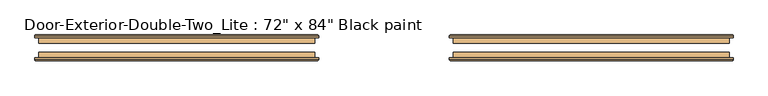
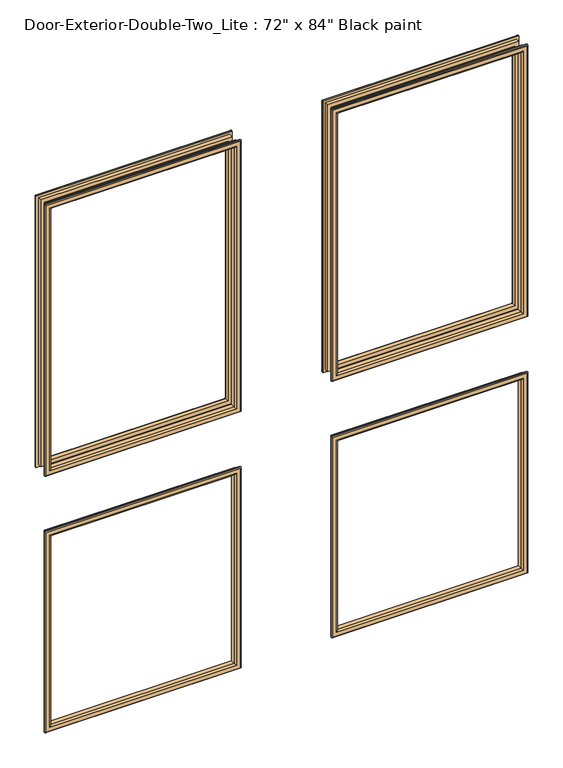
"""IFC4 building model written with IfcOpenShell, lengths in millimetres: door geometry."""

from ifc_helpers import new_model, si_unit, frame, origin, place, context, project, spatial, ellipse_curve, source, transform, mapped, element, save
from ifc_brep_helpers import plane_surface, cylinder_surface, advanced_brep


def door_ab34e039(model_context):
    return source(origin(), model_context, "Body", "AdvancedBrep", [
        advanced_brep(
        [(152.4, 144.4625, 2016.125), (152.4, 157.1625, 2016.125), (152.4, 157.1625, 1117.6), (152.4, 144.4625, 1117.6), (164.4, 158.1625, 2004.125), (164.4, 144.4625, 2004.125), (164.4, 144.4625, 1129.6), (164.4, 158.1625, 1129.6), (159.4, 163.1625, 2009.125), (159.4, 163.1625, 1124.6), (144.4, 161.1625, 2024.125), (146.4, 163.1625, 2022.125), (146.4, 163.1625, 1111.6), (144.4, 161.1625, 1109.6), (144.4, 157.1625, 2024.125), (144.4, 157.1625, 1109.6), (762.0, 157.1625, 1117.6), (762.0, 144.4625, 1117.6), (750.0, 144.4625, 1129.6), (750.0, 158.1625, 1129.6), (755.0, 163.1625, 1124.6), (768.0, 163.1625, 1111.6), (770.0, 161.1625, 1109.6), (770.0, 157.1625, 1109.6), (762.0, 157.1625, 2016.125), (762.0, 144.4625, 2016.125), (750.0, 144.4625, 2004.125), (750.0, 158.1625, 2004.125), (755.0, 163.1625, 2009.125), (768.0, 163.1625, 2022.125), (770.0, 161.1625, 2024.125), (770.0, 157.1625, 2024.125)],
        [
            (0, 1),
            (1, 2),
            (2, 3),
            (3, 0),
            (4, 5),
            (5, 6),
            (6, 7),
            (7, 4),
            (8, 4, ellipse_curve(frame((159.4, 158.1625, 2009.125), z_axis=(-0.7071067811865475, 0.0, -0.7071067811865475), x_axis=(-0.7071067811865474, 0.0, 0.7071067811865476)), 7.0710678, 5.0)),
            (7, 9, ellipse_curve(frame((159.4, 158.1625, 1124.6), z_axis=(-0.7071067811865475, 0.0, 0.7071067811865475), x_axis=(0.7071067811865474, 0.0, 0.7071067811865476)), 7.0710678, 5.0)),
            (9, 8),
            (10, 11, ellipse_curve(frame((146.4, 161.1625, 2022.125), z_axis=(-0.7071067811865475, 0.0, -0.7071067811865475), x_axis=(-0.7071067811865474, 0.0, 0.7071067811865476)), 2.8284271, 2.0)),
            (11, 12),
            (12, 13, ellipse_curve(frame((146.4, 161.1625, 1111.6), z_axis=(-0.7071067811865475, 0.0, 0.7071067811865475), x_axis=(0.7071067811865474, 0.0, 0.7071067811865476)), 2.8284271, 2.0)),
            (13, 10),
            (14, 10),
            (13, 15),
            (15, 14),
            (2, 16),
            (16, 17),
            (17, 3),
            (6, 18),
            (18, 19),
            (19, 7),
            (19, 20, ellipse_curve(frame((755.0, 158.1625, 1124.6), z_axis=(-0.7071067811865475, 0.0, -0.7071067811865475), x_axis=(-0.7071067811865476, 0.0, 0.7071067811865474)), 7.0710678, 5.0)),
            (20, 9),
            (12, 21),
            (21, 22, ellipse_curve(frame((768.0, 161.1625, 1111.6), z_axis=(-0.7071067811865475, 0.0, -0.7071067811865475), x_axis=(-0.7071067811865476, 0.0, 0.7071067811865474)), 2.8284271, 2.0)),
            (22, 13),
            (22, 23),
            (23, 15),
            (16, 24),
            (24, 25),
            (25, 17),
            (18, 26),
            (26, 27),
            (27, 19),
            (27, 28, ellipse_curve(frame((755.0, 158.1625, 2009.125), z_axis=(0.7071067811865475, 0.0, -0.7071067811865475), x_axis=(-0.7071067811865474, 0.0, -0.7071067811865476)), 7.0710678, 5.0)),
            (28, 20),
            (21, 29),
            (29, 30, ellipse_curve(frame((768.0, 161.1625, 2022.125), z_axis=(0.7071067811865475, 0.0, -0.7071067811865475), x_axis=(-0.7071067811865474, 0.0, -0.7071067811865476)), 2.8284271, 2.0)),
            (30, 22),
            (30, 31),
            (31, 23),
            (31, 14),
            (1, 24),
            (0, 25),
            (5, 26),
            (4, 27),
            (8, 28),
            (11, 29),
            (10, 30),
        ],
        [
            plane_surface(frame((152.4, 157.1625, 2016.125), z_axis=(-1.0, 0.0, 0.0), x_axis=(0.0, 0.0, -1.0))),
            plane_surface(frame((164.4, 144.4625, 2004.125), z_axis=(1.0, 0.0, 0.0), x_axis=(0.0, 0.0, -1.0))),
            cylinder_surface(frame((159.4, 158.1625, 2016.125), z_axis=(0.0, 0.0, 1.0), x_axis=(-1.0, 0.0, 0.0)), 5.0),
            cylinder_surface(frame((146.4, 161.1625, 2016.125), z_axis=(0.0, 0.0, 1.0), x_axis=(-1.0, 0.0, 0.0)), 2.0),
            plane_surface(frame((144.4, 161.1625, 2024.125), z_axis=(-1.0, 0.0, 0.0), x_axis=(0.0, 0.0, -1.0))),
            plane_surface(frame((152.4, 157.1625, 1117.6), z_axis=(0.0, 0.0, -1.0), x_axis=(1.0, 0.0, 0.0))),
            plane_surface(frame((164.4, 144.4625, 1129.6), z_axis=(0.0, 0.0, 1.0), x_axis=(1.0, 0.0, 0.0))),
            cylinder_surface(frame((152.4, 158.1625, 1124.6), z_axis=(-1.0, 0.0, 0.0), x_axis=(0.0, 0.0, -1.0)), 5.0),
            cylinder_surface(frame((152.4, 161.1625, 1111.6), z_axis=(-1.0, 0.0, 0.0), x_axis=(0.0, 0.0, -1.0)), 2.0),
            plane_surface(frame((144.4, 161.1625, 1109.6), z_axis=(0.0, 0.0, -1.0), x_axis=(1.0, 0.0, 0.0))),
            plane_surface(frame((762.0, 157.1625, 1117.6), z_axis=(1.0, 0.0, 0.0), x_axis=(0.0, 0.0, 1.0))),
            plane_surface(frame((750.0, 144.4625, 1129.6), z_axis=(-1.0, 0.0, 0.0), x_axis=(0.0, 0.0, 1.0))),
            cylinder_surface(frame((755.0, 158.1625, 1117.6), z_axis=(0.0, 0.0, -1.0), x_axis=(1.0, 0.0, 0.0)), 5.0),
            cylinder_surface(frame((768.0, 161.1625, 1117.6), z_axis=(0.0, 0.0, -1.0), x_axis=(1.0, 0.0, 0.0)), 2.0),
            plane_surface(frame((770.0, 161.1625, 1109.6), z_axis=(1.0, 0.0, 0.0), x_axis=(0.0, 0.0, 1.0))),
            plane_surface(frame((770.0, 157.1625, 2024.125), z_axis=(0.0, -1.0, 0.0), x_axis=(-1.0, 0.0, 0.0))),
            plane_surface(frame((762.0, 157.1625, 2016.125), z_axis=(0.0, 0.0, 1.0), x_axis=(-1.0, 0.0, 0.0))),
            plane_surface(frame((762.0, 144.4625, 2016.125), z_axis=(0.0, -1.0, 0.0), x_axis=(-1.0, 0.0, 0.0))),
            plane_surface(frame((750.0, 144.4625, 2004.125), z_axis=(0.0, 0.0, -1.0), x_axis=(-1.0, 0.0, 0.0))),
            cylinder_surface(frame((762.0, 158.1625, 2009.125), z_axis=(1.0, 0.0, 0.0), x_axis=(0.0, 0.0, 1.0)), 5.0),
            plane_surface(frame((755.0, 163.1625, 2009.125), z_axis=(0.0, 1.0, 0.0), x_axis=(-1.0, 0.0, 0.0))),
            cylinder_surface(frame((762.0, 161.1625, 2022.125), z_axis=(1.0, 0.0, 0.0), x_axis=(0.0, 0.0, 1.0)), 2.0),
            plane_surface(frame((770.0, 161.1625, 2024.125), z_axis=(0.0, 0.0, 1.0), x_axis=(-1.0, 0.0, 0.0))),
        ],
        [
            (0, [[1, 2, 3, 4]]),
            (1, [[5, 6, 7, 8]]),
            (2, [[9, -8, 10, 11]]),
            (3, [[12, 13, 14, 15]]),
            (4, [[16, -15, 17, 18]]),
            (5, [[-3, 19, 20, 21]]),
            (6, [[-7, 22, 23, 24]]),
            (7, [[-10, -24, 25, 26]]),
            (8, [[-14, 27, 28, 29]]),
            (9, [[-17, -29, 30, 31]]),
            (10, [[-20, 32, 33, 34]]),
            (11, [[-23, 35, 36, 37]]),
            (12, [[-25, -37, 38, 39]]),
            (13, [[-28, 40, 41, 42]]),
            (14, [[-30, -42, 43, 44]]),
            (15, [[-31, -44, 45, -18], [46, -32, -19, -2]]),
            (16, [[-33, -46, -1, 47]]),
            (17, [[-21, -34, -47, -4], [48, -35, -22, -6]]),
            (18, [[-36, -48, -5, 49]]),
            (19, [[-38, -49, -9, 50]]),
            (20, [[51, -40, -27, -13], [-26, -39, -50, -11]]),
            (21, [[-41, -51, -12, 52]]),
            (22, [[-43, -52, -16, -45]]),
        ],
    ),
        advanced_brep(
        [(-762.0, 144.4625, 2016.125), (-762.0, 157.1625, 2016.125), (-762.0, 157.1625, 1117.6), (-762.0, 144.4625, 1117.6), (-750.0, 158.1625, 2004.125), (-750.0, 144.4625, 2004.125), (-750.0, 144.4625, 1129.6), (-750.0, 158.1625, 1129.6), (-755.0, 163.1625, 2009.125), (-755.0, 163.1625, 1124.6), (-770.0, 161.1625, 2024.125), (-768.0, 163.1625, 2022.125), (-768.0, 163.1625, 1111.6), (-770.0, 161.1625, 1109.6), (-770.0, 157.1625, 2024.125), (-770.0, 157.1625, 1109.6), (-152.4, 157.1625, 1117.6), (-152.4, 144.4625, 1117.6), (-164.4, 144.4625, 1129.6), (-164.4, 158.1625, 1129.6), (-159.4, 163.1625, 1124.6), (-146.4, 163.1625, 1111.6), (-144.4, 161.1625, 1109.6), (-144.4, 157.1625, 1109.6), (-152.4, 157.1625, 2016.125), (-152.4, 144.4625, 2016.125), (-164.4, 144.4625, 2004.125), (-164.4, 158.1625, 2004.125), (-159.4, 163.1625, 2009.125), (-146.4, 163.1625, 2022.125), (-144.4, 161.1625, 2024.125), (-144.4, 157.1625, 2024.125)],
        [
            (0, 1),
            (1, 2),
            (2, 3),
            (3, 0),
            (4, 5),
            (5, 6),
            (6, 7),
            (7, 4),
            (8, 4, ellipse_curve(frame((-755.0, 158.1625, 2009.125), z_axis=(-0.7071067811865475, 0.0, -0.7071067811865475), x_axis=(-0.7071067811865474, 0.0, 0.7071067811865476)), 7.0710678, 5.0)),
            (7, 9, ellipse_curve(frame((-755.0, 158.1625, 1124.6), z_axis=(-0.7071067811865475, 0.0, 0.7071067811865475), x_axis=(0.7071067811865474, 0.0, 0.7071067811865476)), 7.0710678, 5.0)),
            (9, 8),
            (10, 11, ellipse_curve(frame((-768.0, 161.1625, 2022.125), z_axis=(-0.7071067811865475, 0.0, -0.7071067811865475), x_axis=(-0.7071067811865474, 0.0, 0.7071067811865476)), 2.8284271, 2.0)),
            (11, 12),
            (12, 13, ellipse_curve(frame((-768.0, 161.1625, 1111.6), z_axis=(-0.7071067811865475, 0.0, 0.7071067811865475), x_axis=(0.7071067811865474, 0.0, 0.7071067811865476)), 2.8284271, 2.0)),
            (13, 10),
            (14, 10),
            (13, 15),
            (15, 14),
            (2, 16),
            (16, 17),
            (17, 3),
            (6, 18),
            (18, 19),
            (19, 7),
            (19, 20, ellipse_curve(frame((-159.4, 158.1625, 1124.6), z_axis=(-0.7071067811865475, 0.0, -0.7071067811865475), x_axis=(-0.7071067811865476, 0.0, 0.7071067811865474)), 7.0710678, 5.0)),
            (20, 9),
            (12, 21),
            (21, 22, ellipse_curve(frame((-146.4, 161.1625, 1111.6), z_axis=(-0.7071067811865475, 0.0, -0.7071067811865475), x_axis=(-0.7071067811865476, 0.0, 0.7071067811865474)), 2.8284271, 2.0)),
            (22, 13),
            (22, 23),
            (23, 15),
            (16, 24),
            (24, 25),
            (25, 17),
            (18, 26),
            (26, 27),
            (27, 19),
            (27, 28, ellipse_curve(frame((-159.4, 158.1625, 2009.125), z_axis=(0.7071067811865475, 0.0, -0.7071067811865475), x_axis=(-0.7071067811865474, 0.0, -0.7071067811865476)), 7.0710678, 5.0)),
            (28, 20),
            (21, 29),
            (29, 30, ellipse_curve(frame((-146.4, 161.1625, 2022.125), z_axis=(0.7071067811865475, 0.0, -0.7071067811865475), x_axis=(-0.7071067811865474, 0.0, -0.7071067811865476)), 2.8284271, 2.0)),
            (30, 22),
            (30, 31),
            (31, 23),
            (31, 14),
            (1, 24),
            (0, 25),
            (5, 26),
            (4, 27),
            (8, 28),
            (11, 29),
            (10, 30),
        ],
        [
            plane_surface(frame((-762.0, 157.1625, 2016.125), z_axis=(-1.0, 0.0, 0.0), x_axis=(0.0, 0.0, -1.0))),
            plane_surface(frame((-750.0, 144.4625, 2004.125), z_axis=(1.0, 0.0, 0.0), x_axis=(0.0, 0.0, -1.0))),
            cylinder_surface(frame((-755.0, 158.1625, 2016.125), z_axis=(0.0, 0.0, 1.0), x_axis=(-1.0, 0.0, 0.0)), 5.0),
            cylinder_surface(frame((-768.0, 161.1625, 2016.125), z_axis=(0.0, 0.0, 1.0), x_axis=(-1.0, 0.0, 0.0)), 2.0),
            plane_surface(frame((-770.0, 161.1625, 2024.125), z_axis=(-1.0, 0.0, 0.0), x_axis=(0.0, 0.0, -1.0))),
            plane_surface(frame((-762.0, 157.1625, 1117.6), z_axis=(0.0, 0.0, -1.0), x_axis=(1.0, 0.0, 0.0))),
            plane_surface(frame((-750.0, 144.4625, 1129.6), z_axis=(0.0, 0.0, 1.0), x_axis=(1.0, 0.0, 0.0))),
            cylinder_surface(frame((-762.0, 158.1625, 1124.6), z_axis=(-1.0, 0.0, 0.0), x_axis=(0.0, 0.0, -1.0)), 5.0),
            cylinder_surface(frame((-762.0, 161.1625, 1111.6), z_axis=(-1.0, 0.0, 0.0), x_axis=(0.0, 0.0, -1.0)), 2.0),
            plane_surface(frame((-770.0, 161.1625, 1109.6), z_axis=(0.0, 0.0, -1.0), x_axis=(1.0, 0.0, 0.0))),
            plane_surface(frame((-152.4, 157.1625, 1117.6), z_axis=(1.0, 0.0, 0.0), x_axis=(0.0, 0.0, 1.0))),
            plane_surface(frame((-164.4, 144.4625, 1129.6), z_axis=(-1.0, 0.0, 0.0), x_axis=(0.0, 0.0, 1.0))),
            cylinder_surface(frame((-159.4, 158.1625, 1117.6), z_axis=(0.0, 0.0, -1.0), x_axis=(1.0, 0.0, 0.0)), 5.0),
            cylinder_surface(frame((-146.4, 161.1625, 1117.6), z_axis=(0.0, 0.0, -1.0), x_axis=(1.0, 0.0, 0.0)), 2.0),
            plane_surface(frame((-144.4, 161.1625, 1109.6), z_axis=(1.0, 0.0, 0.0), x_axis=(0.0, 0.0, 1.0))),
            plane_surface(frame((-144.4, 157.1625, 2024.125), z_axis=(0.0, -1.0, 0.0), x_axis=(-1.0, 0.0, 0.0))),
            plane_surface(frame((-152.4, 157.1625, 2016.125), z_axis=(0.0, 0.0, 1.0), x_axis=(-1.0, 0.0, 0.0))),
            plane_surface(frame((-152.4, 144.4625, 2016.125), z_axis=(0.0, -1.0, 0.0), x_axis=(-1.0, 0.0, 0.0))),
            plane_surface(frame((-164.4, 144.4625, 2004.125), z_axis=(0.0, 0.0, -1.0), x_axis=(-1.0, 0.0, 0.0))),
            cylinder_surface(frame((-152.4, 158.1625, 2009.125), z_axis=(1.0, 0.0, 0.0), x_axis=(0.0, 0.0, 1.0)), 5.0),
            plane_surface(frame((-159.4, 163.1625, 2009.125), z_axis=(0.0, 1.0, 0.0), x_axis=(-1.0, 0.0, 0.0))),
            cylinder_surface(frame((-152.4, 161.1625, 2022.125), z_axis=(1.0, 0.0, 0.0), x_axis=(0.0, 0.0, 1.0)), 2.0),
            plane_surface(frame((-144.4, 161.1625, 2024.125), z_axis=(0.0, 0.0, 1.0), x_axis=(-1.0, 0.0, 0.0))),
        ],
        [
            (0, [[1, 2, 3, 4]]),
            (1, [[5, 6, 7, 8]]),
            (2, [[9, -8, 10, 11]]),
            (3, [[12, 13, 14, 15]]),
            (4, [[16, -15, 17, 18]]),
            (5, [[-3, 19, 20, 21]]),
            (6, [[-7, 22, 23, 24]]),
            (7, [[-10, -24, 25, 26]]),
            (8, [[-14, 27, 28, 29]]),
            (9, [[-17, -29, 30, 31]]),
            (10, [[-20, 32, 33, 34]]),
            (11, [[-23, 35, 36, 37]]),
            (12, [[-25, -37, 38, 39]]),
            (13, [[-28, 40, 41, 42]]),
            (14, [[-30, -42, 43, 44]]),
            (15, [[-31, -44, 45, -18], [46, -32, -19, -2]]),
            (16, [[-33, -46, -1, 47]]),
            (17, [[-21, -34, -47, -4], [48, -35, -22, -6]]),
            (18, [[-36, -48, -5, 49]]),
            (19, [[-38, -49, -9, 50]]),
            (20, [[51, -40, -27, -13], [-26, -39, -50, -11]]),
            (21, [[-41, -51, -12, 52]]),
            (22, [[-43, -52, -16, -45]]),
        ],
    ),
        advanced_brep(
        [(-762.0, 125.4125, 254.0), (-762.0, 112.7125, 254.0), (-762.0, 112.7125, 914.4), (-762.0, 125.4125, 914.4), (-750.0, 111.7125, 266.0), (-750.0, 125.4125, 266.0), (-750.0, 125.4125, 902.4), (-750.0, 111.7125, 902.4), (-755.0, 106.7125, 261.0), (-755.0, 106.7125, 907.4), (-770.0, 108.7125, 246.0), (-768.0, 106.7125, 248.0), (-768.0, 106.7125, 920.4), (-770.0, 108.7125, 922.4), (-770.0, 112.7125, 246.0), (-770.0, 112.7125, 922.4), (-152.4, 112.7125, 914.4), (-152.4, 125.4125, 914.4), (-164.4, 125.4125, 902.4), (-164.4, 111.7125, 902.4), (-159.4, 106.7125, 907.4), (-146.4, 106.7125, 920.4), (-144.4, 108.7125, 922.4), (-144.4, 112.7125, 922.4), (-152.4, 112.7125, 254.0), (-152.4, 125.4125, 254.0), (-164.4, 125.4125, 266.0), (-164.4, 111.7125, 266.0), (-159.4, 106.7125, 261.0), (-146.4, 106.7125, 248.0), (-144.4, 108.7125, 246.0), (-144.4, 112.7125, 246.0)],
        [
            (0, 1),
            (1, 2),
            (2, 3),
            (3, 0),
            (4, 5),
            (5, 6),
            (6, 7),
            (7, 4),
            (8, 4, ellipse_curve(frame((-755.0, 111.7125, 261.0), z_axis=(-0.7071067811865475, 0.0, 0.7071067811865475), x_axis=(-0.7071067811865474, 0.0, -0.7071067811865476)), 7.0710678, 5.0)),
            (7, 9, ellipse_curve(frame((-755.0, 111.7125, 907.4), z_axis=(-0.7071067811865475, 0.0, -0.7071067811865475), x_axis=(0.7071067811865474, 0.0, -0.7071067811865476)), 7.0710678, 5.0)),
            (9, 8),
            (10, 11, ellipse_curve(frame((-768.0, 108.7125, 248.0), z_axis=(-0.7071067811865475, 0.0, 0.7071067811865475), x_axis=(-0.7071067811865474, 0.0, -0.7071067811865476)), 2.8284271, 2.0)),
            (11, 12),
            (12, 13, ellipse_curve(frame((-768.0, 108.7125, 920.4), z_axis=(-0.7071067811865475, 0.0, -0.7071067811865475), x_axis=(0.7071067811865474, 0.0, -0.7071067811865476)), 2.8284271, 2.0)),
            (13, 10),
            (14, 10),
            (13, 15),
            (15, 14),
            (2, 16),
            (16, 17),
            (17, 3),
            (6, 18),
            (18, 19),
            (19, 7),
            (19, 20, ellipse_curve(frame((-159.4, 111.7125, 907.4), z_axis=(-0.7071067811865475, 0.0, 0.7071067811865475), x_axis=(-0.7071067811865476, 0.0, -0.7071067811865474)), 7.0710678, 5.0)),
            (20, 9),
            (12, 21),
            (21, 22, ellipse_curve(frame((-146.4, 108.7125, 920.4), z_axis=(-0.7071067811865475, 0.0, 0.7071067811865475), x_axis=(-0.7071067811865476, 0.0, -0.7071067811865474)), 2.8284271, 2.0)),
            (22, 13),
            (22, 23),
            (23, 15),
            (16, 24),
            (24, 25),
            (25, 17),
            (18, 26),
            (26, 27),
            (27, 19),
            (27, 28, ellipse_curve(frame((-159.4, 111.7125, 261.0), z_axis=(0.7071067811865475, 0.0, 0.7071067811865475), x_axis=(-0.7071067811865474, 0.0, 0.7071067811865476)), 7.0710678, 5.0)),
            (28, 20),
            (21, 29),
            (29, 30, ellipse_curve(frame((-146.4, 108.7125, 248.0), z_axis=(0.7071067811865475, 0.0, 0.7071067811865475), x_axis=(-0.7071067811865474, 0.0, 0.7071067811865476)), 2.8284271, 2.0)),
            (30, 22),
            (30, 31),
            (31, 23),
            (31, 14),
            (1, 24),
            (0, 25),
            (5, 26),
            (4, 27),
            (8, 28),
            (11, 29),
            (10, 30),
        ],
        [
            plane_surface(frame((-762.0, 112.7125, 254.0), z_axis=(-1.0, 0.0, 0.0), x_axis=(0.0, 0.0, 1.0))),
            plane_surface(frame((-750.0, 125.4125, 266.0), z_axis=(1.0, 0.0, 0.0), x_axis=(0.0, 0.0, 1.0))),
            cylinder_surface(frame((-755.0, 111.7125, 254.0), z_axis=(0.0, 0.0, -1.0), x_axis=(-1.0, 0.0, 0.0)), 5.0),
            cylinder_surface(frame((-768.0, 108.7125, 254.0), z_axis=(0.0, 0.0, -1.0), x_axis=(-1.0, 0.0, 0.0)), 2.0),
            plane_surface(frame((-770.0, 108.7125, 246.0), z_axis=(-1.0, 0.0, 0.0), x_axis=(0.0, 0.0, 1.0))),
            plane_surface(frame((-762.0, 112.7125, 914.4), z_axis=(0.0, 0.0, 1.0), x_axis=(1.0, 0.0, 0.0))),
            plane_surface(frame((-750.0, 125.4125, 902.4), z_axis=(0.0, 0.0, -1.0), x_axis=(1.0, 0.0, 0.0))),
            cylinder_surface(frame((-762.0, 111.7125, 907.4), z_axis=(-1.0, 0.0, 0.0), x_axis=(0.0, 0.0, 1.0)), 5.0),
            cylinder_surface(frame((-762.0, 108.7125, 920.4), z_axis=(-1.0, 0.0, 0.0), x_axis=(0.0, 0.0, 1.0)), 2.0),
            plane_surface(frame((-770.0, 108.7125, 922.4), z_axis=(0.0, 0.0, 1.0), x_axis=(1.0, 0.0, 0.0))),
            plane_surface(frame((-152.4, 112.7125, 914.4), z_axis=(1.0, 0.0, 0.0), x_axis=(0.0, 0.0, -1.0))),
            plane_surface(frame((-164.4, 125.4125, 902.4), z_axis=(-1.0, 0.0, 0.0), x_axis=(0.0, 0.0, -1.0))),
            cylinder_surface(frame((-159.4, 111.7125, 914.4), z_axis=(0.0, 0.0, 1.0), x_axis=(1.0, 0.0, 0.0)), 5.0),
            cylinder_surface(frame((-146.4, 108.7125, 914.4), z_axis=(0.0, 0.0, 1.0), x_axis=(1.0, 0.0, 0.0)), 2.0),
            plane_surface(frame((-144.4, 108.7125, 922.4), z_axis=(1.0, 0.0, 0.0), x_axis=(0.0, 0.0, -1.0))),
            plane_surface(frame((-144.4, 112.7125, 246.0), z_axis=(0.0, 1.0, 0.0), x_axis=(-1.0, 0.0, 0.0))),
            plane_surface(frame((-152.4, 112.7125, 254.0), z_axis=(0.0, 0.0, -1.0), x_axis=(-1.0, 0.0, 0.0))),
            plane_surface(frame((-152.4, 125.4125, 254.0), z_axis=(0.0, 1.0, 0.0), x_axis=(-1.0, 0.0, 0.0))),
            plane_surface(frame((-164.4, 125.4125, 266.0), z_axis=(0.0, 0.0, 1.0), x_axis=(-1.0, 0.0, 0.0))),
            cylinder_surface(frame((-152.4, 111.7125, 261.0), z_axis=(1.0, 0.0, 0.0), x_axis=(0.0, 0.0, -1.0)), 5.0),
            plane_surface(frame((-159.4, 106.7125, 261.0), z_axis=(0.0, -1.0, 0.0), x_axis=(-1.0, 0.0, 0.0))),
            cylinder_surface(frame((-152.4, 108.7125, 248.0), z_axis=(1.0, 0.0, 0.0), x_axis=(0.0, 0.0, -1.0)), 2.0),
            plane_surface(frame((-144.4, 108.7125, 246.0), z_axis=(0.0, 0.0, -1.0), x_axis=(-1.0, 0.0, 0.0))),
        ],
        [
            (0, [[1, 2, 3, 4]]),
            (1, [[5, 6, 7, 8]]),
            (2, [[9, -8, 10, 11]]),
            (3, [[12, 13, 14, 15]]),
            (4, [[16, -15, 17, 18]]),
            (5, [[-3, 19, 20, 21]]),
            (6, [[-7, 22, 23, 24]]),
            (7, [[-10, -24, 25, 26]]),
            (8, [[-14, 27, 28, 29]]),
            (9, [[-17, -29, 30, 31]]),
            (10, [[-20, 32, 33, 34]]),
            (11, [[-23, 35, 36, 37]]),
            (12, [[-25, -37, 38, 39]]),
            (13, [[-28, 40, 41, 42]]),
            (14, [[-30, -42, 43, 44]]),
            (15, [[-31, -44, 45, -18], [46, -32, -19, -2]]),
            (16, [[-33, -46, -1, 47]]),
            (17, [[-21, -34, -47, -4], [48, -35, -22, -6]]),
            (18, [[-36, -48, -5, 49]]),
            (19, [[-38, -49, -9, 50]]),
            (20, [[51, -40, -27, -13], [-26, -39, -50, -11]]),
            (21, [[-41, -51, -12, 52]]),
            (22, [[-43, -52, -16, -45]]),
        ],
    ),
        advanced_brep(
        [(152.4, 125.4125, 254.0), (152.4, 112.7125, 254.0), (152.4, 112.7125, 914.4), (152.4, 125.4125, 914.4), (164.4, 111.7125, 266.0), (164.4, 125.4125, 266.0), (164.4, 125.4125, 902.4), (164.4, 111.7125, 902.4), (159.4, 106.7125, 261.0), (159.4, 106.7125, 907.4), (144.4, 108.7125, 246.0), (146.4, 106.7125, 248.0), (146.4, 106.7125, 920.4), (144.4, 108.7125, 922.4), (144.4, 112.7125, 246.0), (144.4, 112.7125, 922.4), (762.0, 112.7125, 914.4), (762.0, 125.4125, 914.4), (750.0, 125.4125, 902.4), (750.0, 111.7125, 902.4), (755.0, 106.7125, 907.4), (768.0, 106.7125, 920.4), (770.0, 108.7125, 922.4), (770.0, 112.7125, 922.4), (762.0, 112.7125, 254.0), (762.0, 125.4125, 254.0), (750.0, 125.4125, 266.0), (750.0, 111.7125, 266.0), (755.0, 106.7125, 261.0), (768.0, 106.7125, 248.0), (770.0, 108.7125, 246.0), (770.0, 112.7125, 246.0)],
        [
            (0, 1),
            (1, 2),
            (2, 3),
            (3, 0),
            (4, 5),
            (5, 6),
            (6, 7),
            (7, 4),
            (8, 4, ellipse_curve(frame((159.4, 111.7125, 261.0), z_axis=(-0.7071067811865475, 0.0, 0.7071067811865475), x_axis=(-0.7071067811865474, 0.0, -0.7071067811865476)), 7.0710678, 5.0)),
            (7, 9, ellipse_curve(frame((159.4, 111.7125, 907.4), z_axis=(-0.7071067811865475, 0.0, -0.7071067811865475), x_axis=(0.7071067811865474, 0.0, -0.7071067811865476)), 7.0710678, 5.0)),
            (9, 8),
            (10, 11, ellipse_curve(frame((146.4, 108.7125, 248.0), z_axis=(-0.7071067811865475, 0.0, 0.7071067811865475), x_axis=(-0.7071067811865474, 0.0, -0.7071067811865476)), 2.8284271, 2.0)),
            (11, 12),
            (12, 13, ellipse_curve(frame((146.4, 108.7125, 920.4), z_axis=(-0.7071067811865475, 0.0, -0.7071067811865475), x_axis=(0.7071067811865474, 0.0, -0.7071067811865476)), 2.8284271, 2.0)),
            (13, 10),
            (14, 10),
            (13, 15),
            (15, 14),
            (2, 16),
            (16, 17),
            (17, 3),
            (6, 18),
            (18, 19),
            (19, 7),
            (19, 20, ellipse_curve(frame((755.0, 111.7125, 907.4), z_axis=(-0.7071067811865475, 0.0, 0.7071067811865475), x_axis=(-0.7071067811865476, 0.0, -0.7071067811865474)), 7.0710678, 5.0)),
            (20, 9),
            (12, 21),
            (21, 22, ellipse_curve(frame((768.0, 108.7125, 920.4), z_axis=(-0.7071067811865475, 0.0, 0.7071067811865475), x_axis=(-0.7071067811865476, 0.0, -0.7071067811865474)), 2.8284271, 2.0)),
            (22, 13),
            (22, 23),
            (23, 15),
            (16, 24),
            (24, 25),
            (25, 17),
            (18, 26),
            (26, 27),
            (27, 19),
            (27, 28, ellipse_curve(frame((755.0, 111.7125, 261.0), z_axis=(0.7071067811865475, 0.0, 0.7071067811865475), x_axis=(-0.7071067811865474, 0.0, 0.7071067811865476)), 7.0710678, 5.0)),
            (28, 20),
            (21, 29),
            (29, 30, ellipse_curve(frame((768.0, 108.7125, 248.0), z_axis=(0.7071067811865475, 0.0, 0.7071067811865475), x_axis=(-0.7071067811865474, 0.0, 0.7071067811865476)), 2.8284271, 2.0)),
            (30, 22),
            (30, 31),
            (31, 23),
            (31, 14),
            (1, 24),
            (0, 25),
            (5, 26),
            (4, 27),
            (8, 28),
            (11, 29),
            (10, 30),
        ],
        [
            plane_surface(frame((152.4, 112.7125, 254.0), z_axis=(-1.0, 0.0, 0.0), x_axis=(0.0, 0.0, 1.0))),
            plane_surface(frame((164.4, 125.4125, 266.0), z_axis=(1.0, 0.0, 0.0), x_axis=(0.0, 0.0, 1.0))),
            cylinder_surface(frame((159.4, 111.7125, 254.0), z_axis=(0.0, 0.0, -1.0), x_axis=(-1.0, 0.0, 0.0)), 5.0),
            cylinder_surface(frame((146.4, 108.7125, 254.0), z_axis=(0.0, 0.0, -1.0), x_axis=(-1.0, 0.0, 0.0)), 2.0),
            plane_surface(frame((144.4, 108.7125, 246.0), z_axis=(-1.0, 0.0, 0.0), x_axis=(0.0, 0.0, 1.0))),
            plane_surface(frame((152.4, 112.7125, 914.4), z_axis=(0.0, 0.0, 1.0), x_axis=(1.0, 0.0, 0.0))),
            plane_surface(frame((164.4, 125.4125, 902.4), z_axis=(0.0, 0.0, -1.0), x_axis=(1.0, 0.0, 0.0))),
            cylinder_surface(frame((152.4, 111.7125, 907.4), z_axis=(-1.0, 0.0, 0.0), x_axis=(0.0, 0.0, 1.0)), 5.0),
            cylinder_surface(frame((152.4, 108.7125, 920.4), z_axis=(-1.0, 0.0, 0.0), x_axis=(0.0, 0.0, 1.0)), 2.0),
            plane_surface(frame((144.4, 108.7125, 922.4), z_axis=(0.0, 0.0, 1.0), x_axis=(1.0, 0.0, 0.0))),
            plane_surface(frame((762.0, 112.7125, 914.4), z_axis=(1.0, 0.0, 0.0), x_axis=(0.0, 0.0, -1.0))),
            plane_surface(frame((750.0, 125.4125, 902.4), z_axis=(-1.0, 0.0, 0.0), x_axis=(0.0, 0.0, -1.0))),
            cylinder_surface(frame((755.0, 111.7125, 914.4), z_axis=(0.0, 0.0, 1.0), x_axis=(1.0, 0.0, 0.0)), 5.0),
            cylinder_surface(frame((768.0, 108.7125, 914.4), z_axis=(0.0, 0.0, 1.0), x_axis=(1.0, 0.0, 0.0)), 2.0),
            plane_surface(frame((770.0, 108.7125, 922.4), z_axis=(1.0, 0.0, 0.0), x_axis=(0.0, 0.0, -1.0))),
            plane_surface(frame((770.0, 112.7125, 246.0), z_axis=(0.0, 1.0, 0.0), x_axis=(-1.0, 0.0, 0.0))),
            plane_surface(frame((762.0, 112.7125, 254.0), z_axis=(0.0, 0.0, -1.0), x_axis=(-1.0, 0.0, 0.0))),
            plane_surface(frame((762.0, 125.4125, 254.0), z_axis=(0.0, 1.0, 0.0), x_axis=(-1.0, 0.0, 0.0))),
            plane_surface(frame((750.0, 125.4125, 266.0), z_axis=(0.0, 0.0, 1.0), x_axis=(-1.0, 0.0, 0.0))),
            cylinder_surface(frame((762.0, 111.7125, 261.0), z_axis=(1.0, 0.0, 0.0), x_axis=(0.0, 0.0, -1.0)), 5.0),
            plane_surface(frame((755.0, 106.7125, 261.0), z_axis=(0.0, -1.0, 0.0), x_axis=(-1.0, 0.0, 0.0))),
            cylinder_surface(frame((762.0, 108.7125, 248.0), z_axis=(1.0, 0.0, 0.0), x_axis=(0.0, 0.0, -1.0)), 2.0),
            plane_surface(frame((770.0, 108.7125, 246.0), z_axis=(0.0, 0.0, -1.0), x_axis=(-1.0, 0.0, 0.0))),
        ],
        [
            (0, [[1, 2, 3, 4]]),
            (1, [[5, 6, 7, 8]]),
            (2, [[9, -8, 10, 11]]),
            (3, [[12, 13, 14, 15]]),
            (4, [[16, -15, 17, 18]]),
            (5, [[-3, 19, 20, 21]]),
            (6, [[-7, 22, 23, 24]]),
            (7, [[-10, -24, 25, 26]]),
            (8, [[-14, 27, 28, 29]]),
            (9, [[-17, -29, 30, 31]]),
            (10, [[-20, 32, 33, 34]]),
            (11, [[-23, 35, 36, 37]]),
            (12, [[-25, -37, 38, 39]]),
            (13, [[-28, 40, 41, 42]]),
            (14, [[-30, -42, 43, 44]]),
            (15, [[-31, -44, 45, -18], [46, -32, -19, -2]]),
            (16, [[-33, -46, -1, 47]]),
            (17, [[-21, -34, -47, -4], [48, -35, -22, -6]]),
            (18, [[-36, -48, -5, 49]]),
            (19, [[-38, -49, -9, 50]]),
            (20, [[51, -40, -27, -13], [-26, -39, -50, -11]]),
            (21, [[-41, -51, -12, 52]]),
            (22, [[-43, -52, -16, -45]]),
        ],
    ),
        advanced_brep(
        [(152.4, 125.4125, 1117.6), (152.4, 112.7125, 1117.6), (152.4, 112.7125, 2016.125), (152.4, 125.4125, 2016.125), (164.4, 111.7125, 1129.6), (164.4, 125.4125, 1129.6), (164.4, 125.4125, 2004.125), (164.4, 111.7125, 2004.125), (159.4, 106.7125, 1124.6), (159.4, 106.7125, 2009.125), (144.4, 108.7125, 1109.6), (146.4, 106.7125, 1111.6), (146.4, 106.7125, 2022.125), (144.4, 108.7125, 2024.125), (144.4, 112.7125, 1109.6), (144.4, 112.7125, 2024.125), (762.0, 112.7125, 2016.125), (762.0, 125.4125, 2016.125), (750.0, 125.4125, 2004.125), (750.0, 111.7125, 2004.125), (755.0, 106.7125, 2009.125), (768.0, 106.7125, 2022.125), (770.0, 108.7125, 2024.125), (770.0, 112.7125, 2024.125), (762.0, 112.7125, 1117.6), (762.0, 125.4125, 1117.6), (750.0, 125.4125, 1129.6), (750.0, 111.7125, 1129.6), (755.0, 106.7125, 1124.6), (768.0, 106.7125, 1111.6), (770.0, 108.7125, 1109.6), (770.0, 112.7125, 1109.6)],
        [
            (0, 1),
            (1, 2),
            (2, 3),
            (3, 0),
            (4, 5),
            (5, 6),
            (6, 7),
            (7, 4),
            (8, 4, ellipse_curve(frame((159.4, 111.7125, 1124.6), z_axis=(-0.7071067811865475, 0.0, 0.7071067811865475), x_axis=(-0.7071067811865474, 0.0, -0.7071067811865476)), 7.0710678, 5.0)),
            (7, 9, ellipse_curve(frame((159.4, 111.7125, 2009.125), z_axis=(-0.7071067811865475, 0.0, -0.7071067811865475), x_axis=(0.7071067811865474, 0.0, -0.7071067811865476)), 7.0710678, 5.0)),
            (9, 8),
            (10, 11, ellipse_curve(frame((146.4, 108.7125, 1111.6), z_axis=(-0.7071067811865475, 0.0, 0.7071067811865475), x_axis=(-0.7071067811865474, 0.0, -0.7071067811865476)), 2.8284271, 2.0)),
            (11, 12),
            (12, 13, ellipse_curve(frame((146.4, 108.7125, 2022.125), z_axis=(-0.7071067811865475, 0.0, -0.7071067811865475), x_axis=(0.7071067811865474, 0.0, -0.7071067811865476)), 2.8284271, 2.0)),
            (13, 10),
            (14, 10),
            (13, 15),
            (15, 14),
            (2, 16),
            (16, 17),
            (17, 3),
            (6, 18),
            (18, 19),
            (19, 7),
            (19, 20, ellipse_curve(frame((755.0, 111.7125, 2009.125), z_axis=(-0.7071067811865475, 0.0, 0.7071067811865475), x_axis=(-0.7071067811865476, 0.0, -0.7071067811865474)), 7.0710678, 5.0)),
            (20, 9),
            (12, 21),
            (21, 22, ellipse_curve(frame((768.0, 108.7125, 2022.125), z_axis=(-0.7071067811865475, 0.0, 0.7071067811865475), x_axis=(-0.7071067811865476, 0.0, -0.7071067811865474)), 2.8284271, 2.0)),
            (22, 13),
            (22, 23),
            (23, 15),
            (16, 24),
            (24, 25),
            (25, 17),
            (18, 26),
            (26, 27),
            (27, 19),
            (27, 28, ellipse_curve(frame((755.0, 111.7125, 1124.6), z_axis=(0.7071067811865475, 0.0, 0.7071067811865475), x_axis=(-0.7071067811865474, 0.0, 0.7071067811865476)), 7.0710678, 5.0)),
            (28, 20),
            (21, 29),
            (29, 30, ellipse_curve(frame((768.0, 108.7125, 1111.6), z_axis=(0.7071067811865475, 0.0, 0.7071067811865475), x_axis=(-0.7071067811865474, 0.0, 0.7071067811865476)), 2.8284271, 2.0)),
            (30, 22),
            (30, 31),
            (31, 23),
            (31, 14),
            (1, 24),
            (0, 25),
            (5, 26),
            (4, 27),
            (8, 28),
            (11, 29),
            (10, 30),
        ],
        [
            plane_surface(frame((152.4, 112.7125, 1117.6), z_axis=(-1.0, 0.0, 0.0), x_axis=(0.0, 0.0, 1.0))),
            plane_surface(frame((164.4, 125.4125, 1129.6), z_axis=(1.0, 0.0, 0.0), x_axis=(0.0, 0.0, 1.0))),
            cylinder_surface(frame((159.4, 111.7125, 1117.6), z_axis=(0.0, 0.0, -1.0), x_axis=(-1.0, 0.0, 0.0)), 5.0),
            cylinder_surface(frame((146.4, 108.7125, 1117.6), z_axis=(0.0, 0.0, -1.0), x_axis=(-1.0, 0.0, 0.0)), 2.0),
            plane_surface(frame((144.4, 108.7125, 1109.6), z_axis=(-1.0, 0.0, 0.0), x_axis=(0.0, 0.0, 1.0))),
            plane_surface(frame((152.4, 112.7125, 2016.125), z_axis=(0.0, 0.0, 1.0), x_axis=(1.0, 0.0, 0.0))),
            plane_surface(frame((164.4, 125.4125, 2004.125), z_axis=(0.0, 0.0, -1.0), x_axis=(1.0, 0.0, 0.0))),
            cylinder_surface(frame((152.4, 111.7125, 2009.125), z_axis=(-1.0, 0.0, 0.0), x_axis=(0.0, 0.0, 1.0)), 5.0),
            cylinder_surface(frame((152.4, 108.7125, 2022.125), z_axis=(-1.0, 0.0, 0.0), x_axis=(0.0, 0.0, 1.0)), 2.0),
            plane_surface(frame((144.4, 108.7125, 2024.125), z_axis=(0.0, 0.0, 1.0), x_axis=(1.0, 0.0, 0.0))),
            plane_surface(frame((762.0, 112.7125, 2016.125), z_axis=(1.0, 0.0, 0.0), x_axis=(0.0, 0.0, -1.0))),
            plane_surface(frame((750.0, 125.4125, 2004.125), z_axis=(-1.0, 0.0, 0.0), x_axis=(0.0, 0.0, -1.0))),
            cylinder_surface(frame((755.0, 111.7125, 2016.125), z_axis=(0.0, 0.0, 1.0), x_axis=(1.0, 0.0, 0.0)), 5.0),
            cylinder_surface(frame((768.0, 108.7125, 2016.125), z_axis=(0.0, 0.0, 1.0), x_axis=(1.0, 0.0, 0.0)), 2.0),
            plane_surface(frame((770.0, 108.7125, 2024.125), z_axis=(1.0, 0.0, 0.0), x_axis=(0.0, 0.0, -1.0))),
            plane_surface(frame((770.0, 112.7125, 1109.6), z_axis=(0.0, 1.0, 0.0), x_axis=(-1.0, 0.0, 0.0))),
            plane_surface(frame((762.0, 112.7125, 1117.6), z_axis=(0.0, 0.0, -1.0), x_axis=(-1.0, 0.0, 0.0))),
            plane_surface(frame((762.0, 125.4125, 1117.6), z_axis=(0.0, 1.0, 0.0), x_axis=(-1.0, 0.0, 0.0))),
            plane_surface(frame((750.0, 125.4125, 1129.6), z_axis=(0.0, 0.0, 1.0), x_axis=(-1.0, 0.0, 0.0))),
            cylinder_surface(frame((762.0, 111.7125, 1124.6), z_axis=(1.0, 0.0, 0.0), x_axis=(0.0, 0.0, -1.0)), 5.0),
            plane_surface(frame((755.0, 106.7125, 1124.6), z_axis=(0.0, -1.0, 0.0), x_axis=(-1.0, 0.0, 0.0))),
            cylinder_surface(frame((762.0, 108.7125, 1111.6), z_axis=(1.0, 0.0, 0.0), x_axis=(0.0, 0.0, -1.0)), 2.0),
            plane_surface(frame((770.0, 108.7125, 1109.6), z_axis=(0.0, 0.0, -1.0), x_axis=(-1.0, 0.0, 0.0))),
        ],
        [
            (0, [[1, 2, 3, 4]]),
            (1, [[5, 6, 7, 8]]),
            (2, [[9, -8, 10, 11]]),
            (3, [[12, 13, 14, 15]]),
            (4, [[16, -15, 17, 18]]),
            (5, [[-3, 19, 20, 21]]),
            (6, [[-7, 22, 23, 24]]),
            (7, [[-10, -24, 25, 26]]),
            (8, [[-14, 27, 28, 29]]),
            (9, [[-17, -29, 30, 31]]),
            (10, [[-20, 32, 33, 34]]),
            (11, [[-23, 35, 36, 37]]),
            (12, [[-25, -37, 38, 39]]),
            (13, [[-28, 40, 41, 42]]),
            (14, [[-30, -42, 43, 44]]),
            (15, [[-31, -44, 45, -18], [46, -32, -19, -2]]),
            (16, [[-33, -46, -1, 47]]),
            (17, [[-21, -34, -47, -4], [48, -35, -22, -6]]),
            (18, [[-36, -48, -5, 49]]),
            (19, [[-38, -49, -9, 50]]),
            (20, [[51, -40, -27, -13], [-26, -39, -50, -11]]),
            (21, [[-41, -51, -12, 52]]),
            (22, [[-43, -52, -16, -45]]),
        ],
    ),
        advanced_brep(
        [(-762.0, 125.4125, 1117.6), (-762.0, 112.7125, 1117.6), (-762.0, 112.7125, 2016.125), (-762.0, 125.4125, 2016.125), (-750.0, 111.7125, 1129.6), (-750.0, 125.4125, 1129.6), (-750.0, 125.4125, 2004.125), (-750.0, 111.7125, 2004.125), (-755.0, 106.7125, 1124.6), (-755.0, 106.7125, 2009.125), (-770.0, 108.7125, 1109.6), (-768.0, 106.7125, 1111.6), (-768.0, 106.7125, 2022.125), (-770.0, 108.7125, 2024.125), (-770.0, 112.7125, 1109.6), (-770.0, 112.7125, 2024.125), (-152.4, 112.7125, 2016.125), (-152.4, 125.4125, 2016.125), (-164.4, 125.4125, 2004.125), (-164.4, 111.7125, 2004.125), (-159.4, 106.7125, 2009.125), (-146.4, 106.7125, 2022.125), (-144.4, 108.7125, 2024.125), (-144.4, 112.7125, 2024.125), (-152.4, 112.7125, 1117.6), (-152.4, 125.4125, 1117.6), (-164.4, 125.4125, 1129.6), (-164.4, 111.7125, 1129.6), (-159.4, 106.7125, 1124.6), (-146.4, 106.7125, 1111.6), (-144.4, 108.7125, 1109.6), (-144.4, 112.7125, 1109.6)],
        [
            (0, 1),
            (1, 2),
            (2, 3),
            (3, 0),
            (4, 5),
            (5, 6),
            (6, 7),
            (7, 4),
            (8, 4, ellipse_curve(frame((-755.0, 111.7125, 1124.6), z_axis=(-0.7071067811865475, 0.0, 0.7071067811865475), x_axis=(-0.7071067811865474, 0.0, -0.7071067811865476)), 7.0710678, 5.0)),
            (7, 9, ellipse_curve(frame((-755.0, 111.7125, 2009.125), z_axis=(-0.7071067811865475, 0.0, -0.7071067811865475), x_axis=(0.7071067811865474, 0.0, -0.7071067811865476)), 7.0710678, 5.0)),
            (9, 8),
            (10, 11, ellipse_curve(frame((-768.0, 108.7125, 1111.6), z_axis=(-0.7071067811865475, 0.0, 0.7071067811865475), x_axis=(-0.7071067811865474, 0.0, -0.7071067811865476)), 2.8284271, 2.0)),
            (11, 12),
            (12, 13, ellipse_curve(frame((-768.0, 108.7125, 2022.125), z_axis=(-0.7071067811865475, 0.0, -0.7071067811865475), x_axis=(0.7071067811865474, 0.0, -0.7071067811865476)), 2.8284271, 2.0)),
            (13, 10),
            (14, 10),
            (13, 15),
            (15, 14),
            (2, 16),
            (16, 17),
            (17, 3),
            (6, 18),
            (18, 19),
            (19, 7),
            (19, 20, ellipse_curve(frame((-159.4, 111.7125, 2009.125), z_axis=(-0.7071067811865475, 0.0, 0.7071067811865475), x_axis=(-0.7071067811865476, 0.0, -0.7071067811865474)), 7.0710678, 5.0)),
            (20, 9),
            (12, 21),
            (21, 22, ellipse_curve(frame((-146.4, 108.7125, 2022.125), z_axis=(-0.7071067811865475, 0.0, 0.7071067811865475), x_axis=(-0.7071067811865476, 0.0, -0.7071067811865474)), 2.8284271, 2.0)),
            (22, 13),
            (22, 23),
            (23, 15),
            (16, 24),
            (24, 25),
            (25, 17),
            (18, 26),
            (26, 27),
            (27, 19),
            (27, 28, ellipse_curve(frame((-159.4, 111.7125, 1124.6), z_axis=(0.7071067811865475, 0.0, 0.7071067811865475), x_axis=(-0.7071067811865474, 0.0, 0.7071067811865476)), 7.0710678, 5.0)),
            (28, 20),
            (21, 29),
            (29, 30, ellipse_curve(frame((-146.4, 108.7125, 1111.6), z_axis=(0.7071067811865475, 0.0, 0.7071067811865475), x_axis=(-0.7071067811865474, 0.0, 0.7071067811865476)), 2.8284271, 2.0)),
            (30, 22),
            (30, 31),
            (31, 23),
            (31, 14),
            (1, 24),
            (0, 25),
            (5, 26),
            (4, 27),
            (8, 28),
            (11, 29),
            (10, 30),
        ],
        [
            plane_surface(frame((-762.0, 112.7125, 1117.6), z_axis=(-1.0, 0.0, 0.0), x_axis=(0.0, 0.0, 1.0))),
            plane_surface(frame((-750.0, 125.4125, 1129.6), z_axis=(1.0, 0.0, 0.0), x_axis=(0.0, 0.0, 1.0))),
            cylinder_surface(frame((-755.0, 111.7125, 1117.6), z_axis=(0.0, 0.0, -1.0), x_axis=(-1.0, 0.0, 0.0)), 5.0),
            cylinder_surface(frame((-768.0, 108.7125, 1117.6), z_axis=(0.0, 0.0, -1.0), x_axis=(-1.0, 0.0, 0.0)), 2.0),
            plane_surface(frame((-770.0, 108.7125, 1109.6), z_axis=(-1.0, 0.0, 0.0), x_axis=(0.0, 0.0, 1.0))),
            plane_surface(frame((-762.0, 112.7125, 2016.125), z_axis=(0.0, 0.0, 1.0), x_axis=(1.0, 0.0, 0.0))),
            plane_surface(frame((-750.0, 125.4125, 2004.125), z_axis=(0.0, 0.0, -1.0), x_axis=(1.0, 0.0, 0.0))),
            cylinder_surface(frame((-762.0, 111.7125, 2009.125), z_axis=(-1.0, 0.0, 0.0), x_axis=(0.0, 0.0, 1.0)), 5.0),
            cylinder_surface(frame((-762.0, 108.7125, 2022.125), z_axis=(-1.0, 0.0, 0.0), x_axis=(0.0, 0.0, 1.0)), 2.0),
            plane_surface(frame((-770.0, 108.7125, 2024.125), z_axis=(0.0, 0.0, 1.0), x_axis=(1.0, 0.0, 0.0))),
            plane_surface(frame((-152.4, 112.7125, 2016.125), z_axis=(1.0, 0.0, 0.0), x_axis=(0.0, 0.0, -1.0))),
            plane_surface(frame((-164.4, 125.4125, 2004.125), z_axis=(-1.0, 0.0, 0.0), x_axis=(0.0, 0.0, -1.0))),
            cylinder_surface(frame((-159.4, 111.7125, 2016.125), z_axis=(0.0, 0.0, 1.0), x_axis=(1.0, 0.0, 0.0)), 5.0),
            cylinder_surface(frame((-146.4, 108.7125, 2016.125), z_axis=(0.0, 0.0, 1.0), x_axis=(1.0, 0.0, 0.0)), 2.0),
            plane_surface(frame((-144.4, 108.7125, 2024.125), z_axis=(1.0, 0.0, 0.0), x_axis=(0.0, 0.0, -1.0))),
            plane_surface(frame((-144.4, 112.7125, 1109.6), z_axis=(0.0, 1.0, 0.0), x_axis=(-1.0, 0.0, 0.0))),
            plane_surface(frame((-152.4, 112.7125, 1117.6), z_axis=(0.0, 0.0, -1.0), x_axis=(-1.0, 0.0, 0.0))),
            plane_surface(frame((-152.4, 125.4125, 1117.6), z_axis=(0.0, 1.0, 0.0), x_axis=(-1.0, 0.0, 0.0))),
            plane_surface(frame((-164.4, 125.4125, 1129.6), z_axis=(0.0, 0.0, 1.0), x_axis=(-1.0, 0.0, 0.0))),
            cylinder_surface(frame((-152.4, 111.7125, 1124.6), z_axis=(1.0, 0.0, 0.0), x_axis=(0.0, 0.0, -1.0)), 5.0),
            plane_surface(frame((-159.4, 106.7125, 1124.6), z_axis=(0.0, -1.0, 0.0), x_axis=(-1.0, 0.0, 0.0))),
            cylinder_surface(frame((-152.4, 108.7125, 1111.6), z_axis=(1.0, 0.0, 0.0), x_axis=(0.0, 0.0, -1.0)), 2.0),
            plane_surface(frame((-144.4, 108.7125, 1109.6), z_axis=(0.0, 0.0, -1.0), x_axis=(-1.0, 0.0, 0.0))),
        ],
        [
            (0, [[1, 2, 3, 4]]),
            (1, [[5, 6, 7, 8]]),
            (2, [[9, -8, 10, 11]]),
            (3, [[12, 13, 14, 15]]),
            (4, [[16, -15, 17, 18]]),
            (5, [[-3, 19, 20, 21]]),
            (6, [[-7, 22, 23, 24]]),
            (7, [[-10, -24, 25, 26]]),
            (8, [[-14, 27, 28, 29]]),
            (9, [[-17, -29, 30, 31]]),
            (10, [[-20, 32, 33, 34]]),
            (11, [[-23, 35, 36, 37]]),
            (12, [[-25, -37, 38, 39]]),
            (13, [[-28, 40, 41, 42]]),
            (14, [[-30, -42, 43, 44]]),
            (15, [[-31, -44, 45, -18], [46, -32, -19, -2]]),
            (16, [[-33, -46, -1, 47]]),
            (17, [[-21, -34, -47, -4], [48, -35, -22, -6]]),
            (18, [[-36, -48, -5, 49]]),
            (19, [[-38, -49, -9, 50]]),
            (20, [[51, -40, -27, -13], [-26, -39, -50, -11]]),
            (21, [[-41, -51, -12, 52]]),
            (22, [[-43, -52, -16, -45]]),
        ],
    ),
    ])


if __name__ == "__main__":
    model = new_model("IFC4")
    model_context = context("Model", 3, world=origin())
    ifc_project = project(units=[si_unit("LENGTHUNIT", "METRE", prefix="MILLI")], contexts=[model_context])
    site = spatial("IfcSite", under=ifc_project)
    building = spatial("IfcBuilding", under=site)
    placement = place(None, origin())
    door_shape = door_ab34e039(model_context)
    element("IfcDoor", 1, ObjectType="Door-Exterior-Double-Two_Lite : 72\" x 84\" Black paint", at=placement, inside=building, context=model_context, shape_type="MappedRepresentation", body=[
        mapped(door_shape, transform((0.0, 0.0, 0.0), x_axis=(1.0, 0.0, 0.0), y_axis=(0.0, 1.0, 0.0), z_axis=(0.0, 0.0, 1.0))),
    ])
    save(model, "model.ifc")
